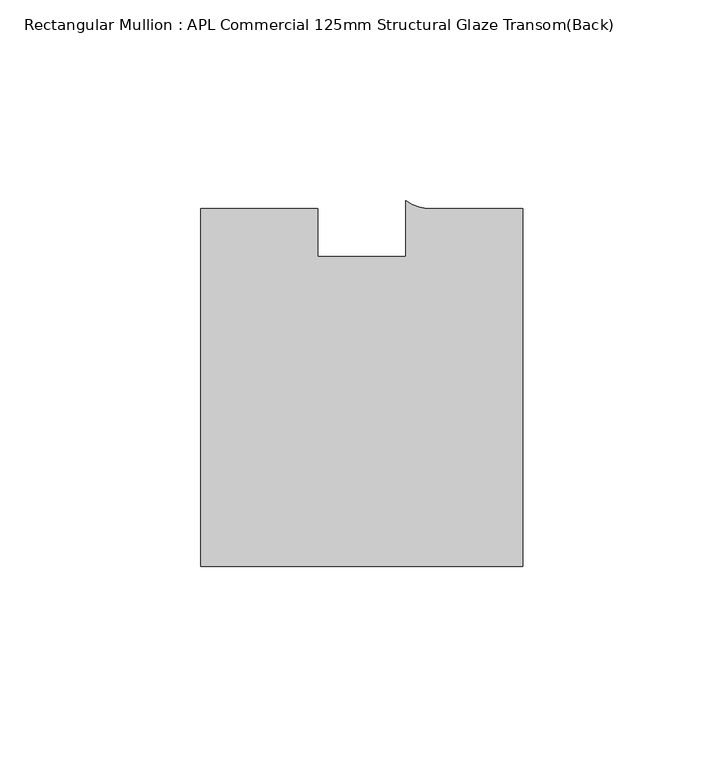
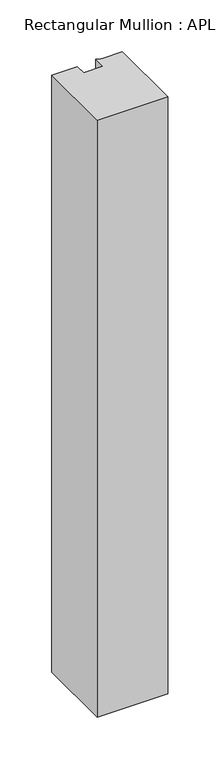
"""IFC4 building model written with IfcOpenShell, lengths in millimetres: member geometry, Rectangular Mullion : APL Commercial 125mm Structural Glaze Transom(Back)."""

from ifc_helpers import new_model, si_unit, point, frame, frame_2d, origin, place, context, project, spatial, polyline, circle_curve, trimmed, segment, composite_curve, outline, extrude, source, transform, mapped, element, save


def rectangular_mullion_apl_commercial_125mm_structural_glaze_c8c763fd(model_context):
    return source(origin(), model_context, "Body", "SweptSolid", [
        extrude(outline(composite_curve([segment(polyline([(40.0, -104.0), (-40.0, -104.0), (-40.0, -15.0000829), (-11.0000151, -15.0000829), (-11.0000151, -27.0), (11.0000151, -27.0), (11.0000151, -13.0673455)]), True, "CONTINUOUS"), segment(trimmed(circle_curve(frame_2d((17.1097719, -4.581653)), 10.4563907), [point((11.0000151, -13.0673455))], [point((17.9999542, -15.0000829))], True, "CARTESIAN"), True, "CONTINUOUS"), segment(polyline([(17.9999542, -15.0000829), (40.0, -15.0000829), (40.0, -104.0)]), True, "CONTINUOUS")], self_intersect=False)), frame((0.0, 0.0, -715.3626887), z_axis=(0.0, 0.0, 1.0), x_axis=(1.0, 0.0, 0.0)), (0.0, 0.0, 1.0), 715.3626887),
    ])


if __name__ == "__main__":
    model = new_model("IFC4")
    model_context = context("Model", 3, world=origin())
    ifc_project = project(units=[si_unit("LENGTHUNIT", "METRE", prefix="MILLI")], contexts=[model_context])
    site = spatial("IfcSite", under=ifc_project)
    building = spatial("IfcBuilding", under=site)
    placement = place(None, origin())
    rectangular_mullion_apl_commercial_125mm_structural_glaze_shape = rectangular_mullion_apl_commercial_125mm_structural_glaze_c8c763fd(model_context)
    element("IfcMember", 1, ObjectType="Rectangular Mullion : APL Commercial 125mm Structural Glaze Transom(Back)", at=placement, inside=building, context=model_context, shape_type="MappedRepresentation", body=[
        mapped(rectangular_mullion_apl_commercial_125mm_structural_glaze_shape, transform((0.0, 0.0, 0.0), x_axis=(1.0, 0.0, 0.0), y_axis=(0.0, 1.0, 0.0), z_axis=(0.0, 0.0, 1.0))),
    ])
    save(model, "model.ifc")
